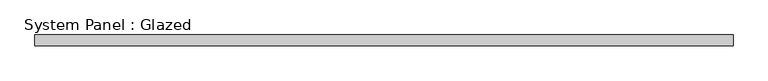
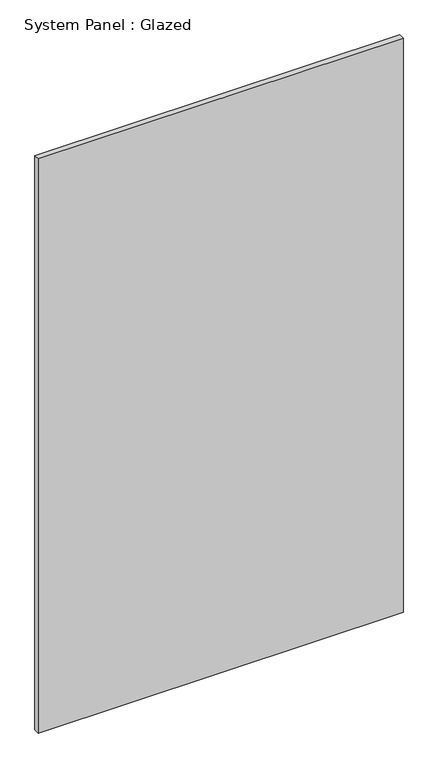
"""IFC4 building model written with IfcOpenShell, lengths in millimetres: plate geometry, System Panel : Glazed."""

import ifcopenshell
import ifcopenshell.guid

model = None  # the IFC model being written
_history = None  # IfcOwnerHistory: only IFC2X3 demands one
_inside = {}  # id of a spatial element -> (the spatial element, [elements in it])
_under = {}  # id of a project, library or spatial element -> (it, [spatial elements below it])
_declared = {}  # id of a project -> (the project, [libraries it declares])
_typed = {}  # id of a type object -> (the type object, [elements of that type])
_made_of = {}  # id of a material, layer set ... -> (it, [elements and type objects made of it])


def new_model(schema):
    """Start an empty IFC model of exactly this schema.

    Asked for "IFC4X3", IfcOpenShell would pick the latest addendum, in which some entities
    have other attributes; the version numbers below select the first issue.
    IFC2X3 requires an IfcOwnerHistory on every rooted entity: one is made here for all.
    """
    global model, _history
    if schema == "IFC4X3":
        model = ifcopenshell.file(schema_version=(4, 3, 0, 0))
    else:
        model = ifcopenshell.file(schema=schema)
    _inside.clear()
    _under.clear()
    _declared.clear()
    _typed.clear()
    _made_of.clear()
    _history = None
    if model.schema == "IFC2X3":
        org = make("IfcOrganization", Name="unknown")
        user = make(
            "IfcPersonAndOrganization",
            ThePerson=make("IfcPerson", FamilyName="unknown"),
            TheOrganization=org,
        )
        app = make(
            "IfcApplication",
            ApplicationDeveloper=org,
            Version="unknown",
            ApplicationFullName="unknown",
            ApplicationIdentifier="unknown",
        )
        _history = make(
            "IfcOwnerHistory",
            OwningUser=user,
            OwningApplication=app,
            ChangeAction="ADDED",
            CreationDate=0,
        )
    return model


def make(cls, **values):
    """One entity of the class cls with the attributes given. An attribute that is None is left unset."""
    return model.create_entity(
        cls, **{name: value for name, value in values.items() if value is not None}
    )


def rooted(cls, **values):
    """An entity with a GlobalId (a new one), such as an element, a storey or a relation."""
    return make(cls, GlobalId=ifcopenshell.guid.new(), OwnerHistory=_history, **values)


def si_unit(unit_type, name, prefix=None):
    """IfcSIUnit, for example si_unit("LENGTHUNIT", "METRE", prefix="MILLI")."""
    return make("IfcSIUnit", UnitType=unit_type, Prefix=prefix, Name=name)


def assignment(units):
    """IfcUnitAssignment: the units of a project."""
    return None if units is None else make("IfcUnitAssignment", Units=units)


def point(xyz):
    """IfcCartesianPoint."""
    return None if xyz is None else make("IfcCartesianPoint", Coordinates=xyz)


def direction(xyz):
    """IfcDirection."""
    return None if xyz is None else make("IfcDirection", DirectionRatios=xyz)


def frame(location, z_axis=None, x_axis=None):
    """IfcAxis2Placement3D, a coordinate frame: its origin and axes. An axis left out is left unset."""
    return make(
        "IfcAxis2Placement3D",
        Location=point(location),
        Axis=direction(z_axis),
        RefDirection=direction(x_axis),
    )


def origin():
    """The frame at (0, 0, 0) with its axes left unset."""
    return frame((0.0, 0.0, 0.0))


def origin_with_axes():
    """The frame at (0, 0, 0) with the z axis (0, 0, 1) and the x axis (1, 0, 0) written out."""
    return frame((0.0, 0.0, 0.0), z_axis=(0.0, 0.0, 1.0), x_axis=(1.0, 0.0, 0.0))


def place(relative_to, where):
    """IfcLocalPlacement: puts the frame where relative to a parent placement (None: the world)."""
    return make(
        "IfcLocalPlacement", PlacementRelTo=relative_to, RelativePlacement=where
    )


def context(
    kind, dimensions, precision=None, world=None, true_north=None, identifier=None
):
    """IfcGeometricRepresentationContext, for example the 3D "Model" context."""
    return make(
        "IfcGeometricRepresentationContext",
        ContextIdentifier=identifier,
        ContextType=kind,
        CoordinateSpaceDimension=dimensions,
        Precision=precision,
        WorldCoordinateSystem=world,
        TrueNorth=true_north,
    )


def project(units=None, contexts=None):
    """IfcProject with its units and contexts."""
    return rooted(
        "IfcProject",
        Name="project",
        RepresentationContexts=contexts,
        UnitsInContext=assignment(units),
    )


def spatial(cls, under=None, at=None, **own):
    """A site, building, storey or space (cls), placed at a placement, below another one or the project."""
    s = rooted(cls, ObjectPlacement=at, **own)
    if under is not None:
        _under.setdefault(under.id(), (under, []))[1].append(s)
    return s


def polyline(points):
    """IfcPolyline through the points."""
    return make("IfcPolyline", Points=[point(p) for p in points])


def outline(outer, holes=None, kind="AREA"):
    """IfcArbitraryClosedProfileDef: a profile drawn as a closed curve; with holes, ...WithVoids."""
    if holes is None:
        return make("IfcArbitraryClosedProfileDef", ProfileType=kind, OuterCurve=outer)
    return make(
        "IfcArbitraryProfileDefWithVoids",
        ProfileType=kind,
        OuterCurve=outer,
        InnerCurves=holes,
    )


def extrude(swept, where, along, depth):
    """IfcExtrudedAreaSolid: the profile swept, set in the frame where, extruded along a direction by depth."""
    return make(
        "IfcExtrudedAreaSolid",
        SweptArea=swept,
        Position=where,
        ExtrudedDirection=direction(along),
        Depth=depth,
    )


def shape(context_of_items, identifier, shape_type, items):
    """IfcShapeRepresentation: the items that make up one representation, for example the "Body"."""
    return make(
        "IfcShapeRepresentation",
        ContextOfItems=context_of_items,
        RepresentationIdentifier=identifier,
        RepresentationType=shape_type,
        Items=items,
    )


def source(mapping_origin, context_of_items, identifier, shape_type, items):
    """IfcRepresentationMap: a shape defined once, which mapped items show again and again."""
    return make(
        "IfcRepresentationMap",
        MappingOrigin=mapping_origin,
        MappedRepresentation=shape(context_of_items, identifier, shape_type, items),
    )


def transform(
    local_origin,
    x_axis=None,
    y_axis=None,
    z_axis=None,
    scale=None,
    scale2=None,
    scale3=None,
    uniform=True,
):
    """IfcCartesianTransformationOperator3D, or its non-uniform kind. x_axis, y_axis, z_axis: its Axis1, 2, 3."""
    if uniform:
        return make(
            "IfcCartesianTransformationOperator3D",
            Axis1=direction(x_axis),
            Axis2=direction(y_axis),
            LocalOrigin=point(local_origin),
            Scale=scale,
            Axis3=direction(z_axis),
        )
    return make(
        "IfcCartesianTransformationOperator3DnonUniform",
        Axis1=direction(x_axis),
        Axis2=direction(y_axis),
        LocalOrigin=point(local_origin),
        Scale=scale,
        Axis3=direction(z_axis),
        Scale2=scale2,
        Scale3=scale3,
    )


def mapped(mapping_source, mapping_target):
    """IfcMappedItem: shows the shape of a source again, moved by a transform."""
    return make(
        "IfcMappedItem", MappingSource=mapping_source, MappingTarget=mapping_target
    )


def made_of(thing, what):
    """Note that an element or type object is made of a material, layer set ...; save() writes the relation."""
    if what is not None:
        _made_of.setdefault(what.id(), (what, []))[1].append(thing)
    return thing


def element(
    cls,
    number,
    at=None,
    inside=None,
    cuts=None,
    type_object=None,
    material=None,
    context=None,
    identifier="Body",
    shape_type=None,
    held_by="IfcProductDefinitionShape",
    body=None,
    shapes=None,
    **own,
):
    """One element of the class cls, such as IfcWall. Its Tag is "e" and its number.

    at: its placement. inside: the storey or other place that contains it. cuts: it is an
    opening in that element (IfcRelVoidsElement). A single representation is given by context,
    identifier, shape_type and body (its items); several are given by shapes. held_by: the class
    of the entity that holds the representations. save() writes the other relations.
    """
    e = rooted(cls, Tag="e%d" % number, ObjectPlacement=at, **own)
    if body is not None:
        shapes = [shape(context, identifier, shape_type, body)]
    if shapes is not None:
        e.Representation = make(held_by, Representations=shapes)
    if inside is not None:
        _inside.setdefault(inside.id(), (inside, []))[1].append(e)
    if cuts is not None:
        rooted(
            "IfcRelVoidsElement", RelatingBuildingElement=cuts, RelatedOpeningElement=e
        )
    if type_object is not None:
        _typed.setdefault(type_object.id(), (type_object, []))[1].append(e)
    return made_of(e, material)


def aggregate(whole, parts):
    """IfcRelAggregates: a whole, such as a stair, and the parts it consists of."""
    return rooted("IfcRelAggregates", RelatingObject=whole, RelatedObjects=parts)


def save(model, path):
    """Write the relations noted so far, then the file.

    IfcRelAggregates (storeys below a building ...), IfcRelContainedInSpatialStructure (elements
    in a storey), IfcRelDefinesByType, IfcRelAssociatesMaterial and IfcRelDeclares: one each for
    every whole, place, type object, material and project.
    """
    for whole, parts in _under.values():
        aggregate(whole, parts)
    for where, things in _inside.values():
        rooted(
            "IfcRelContainedInSpatialStructure",
            RelatedElements=things,
            RelatingStructure=where,
        )
    for kind, things in _typed.values():
        rooted("IfcRelDefinesByType", RelatedObjects=things, RelatingType=kind)
    for what, things in _made_of.values():
        rooted("IfcRelAssociatesMaterial", RelatedObjects=things, RelatingMaterial=what)
    for by, libraries in _declared.values():
        rooted("IfcRelDeclares", RelatingContext=by, RelatedDefinitions=libraries)
    model.write(path)


def system_panel_glazed_b6b5ecf1(model_context):
    return source(origin(), model_context, "Body", "SweptSolid", [
        extrude(outline(polyline([(808.5371256, -49.5), (-808.5371256, -49.5), (-808.5371256, -24.5), (808.5371256, -24.5), (808.5371256, -49.5)])), origin_with_axes(), (0.0, 0.0, 1.0), 2690.0),
    ])


if __name__ == "__main__":
    model = new_model("IFC4")
    model_context = context("Model", 3, world=origin())
    ifc_project = project(units=[si_unit("LENGTHUNIT", "METRE", prefix="MILLI")], contexts=[model_context])
    site = spatial("IfcSite", under=ifc_project)
    building = spatial("IfcBuilding", under=site)
    placement = place(None, origin())
    system_panel_glazed_shape = system_panel_glazed_b6b5ecf1(model_context)
    element("IfcPlate", 1, ObjectType="System Panel : Glazed", at=placement, inside=building, context=model_context, shape_type="MappedRepresentation", body=[
        mapped(system_panel_glazed_shape, transform((0.0, 0.0, 0.0), x_axis=(1.0, 0.0, 0.0), y_axis=(0.0, 1.0, 0.0), z_axis=(0.0, 0.0, 1.0))),
    ])
    save(model, "model.ifc")
